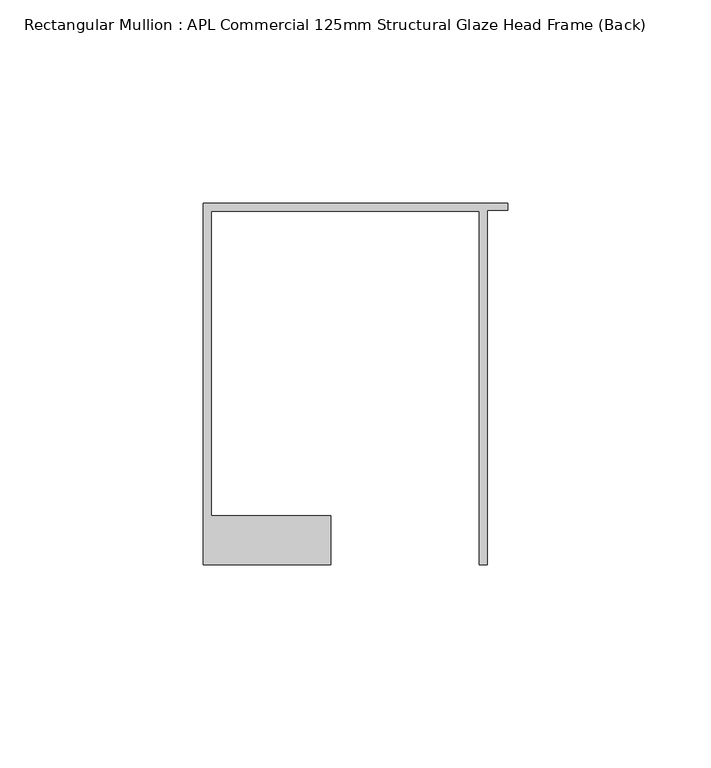
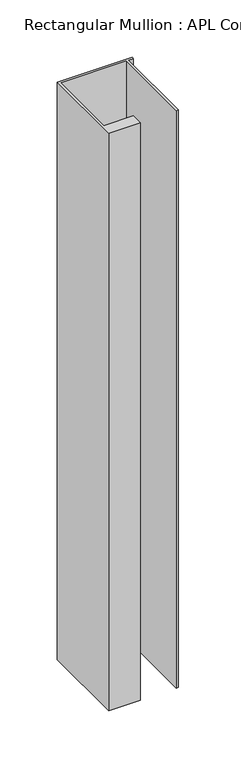
"""IFC4 building model written with IfcOpenShell, lengths in millimetres: member geometry, Rectangular Mullion : APL Commercial 125mm Structural Glaze Head Frame (Back)."""

from ifc_helpers import new_model, si_unit, frame, origin, place, context, project, spatial, polyline, outline, extrude, source, transform, mapped, element, save


def rectangular_mullion_apl_commercial_125mm_structural_glaze_3d273edf(model_context):
    return source(origin(), model_context, "Body", "SweptSolid", [
        extrude(outline(polyline([(-75.0, 103.9993063), (0.0, 103.9993063), (0.0, 102.1993063), (-5.0, 102.1993063), (-5.0, 14.9998342), (-7.0, 14.9998342), (-7.0, 101.9993063), (-73.0, 101.9993063), (-73.0, 26.9997514), (-43.5000151, 26.9997514), (-43.5000151, 14.9998342), (-75.0, 14.9998342), (-75.0, 103.9993063)])), frame((0.0, 0.0, -613.1972486), z_axis=(0.0, 0.0, 1.0), x_axis=(1.0, 0.0, 0.0)), (0.0, 0.0, 1.0), 613.1972486),
    ])


if __name__ == "__main__":
    model = new_model("IFC4")
    model_context = context("Model", 3, world=origin())
    ifc_project = project(units=[si_unit("LENGTHUNIT", "METRE", prefix="MILLI")], contexts=[model_context])
    site = spatial("IfcSite", under=ifc_project)
    building = spatial("IfcBuilding", under=site)
    placement = place(None, origin())
    rectangular_mullion_apl_commercial_125mm_structural_glaze_shape = rectangular_mullion_apl_commercial_125mm_structural_glaze_3d273edf(model_context)
    element("IfcMember", 1, ObjectType="Rectangular Mullion : APL Commercial 125mm Structural Glaze Head Frame (Back)", at=placement, inside=building, context=model_context, shape_type="MappedRepresentation", body=[
        mapped(rectangular_mullion_apl_commercial_125mm_structural_glaze_shape, transform((0.0, 0.0, 0.0), x_axis=(1.0, 0.0, 0.0), y_axis=(0.0, 1.0, 0.0), z_axis=(0.0, 0.0, 1.0))),
    ])
    save(model, "model.ifc")
